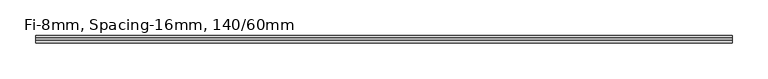
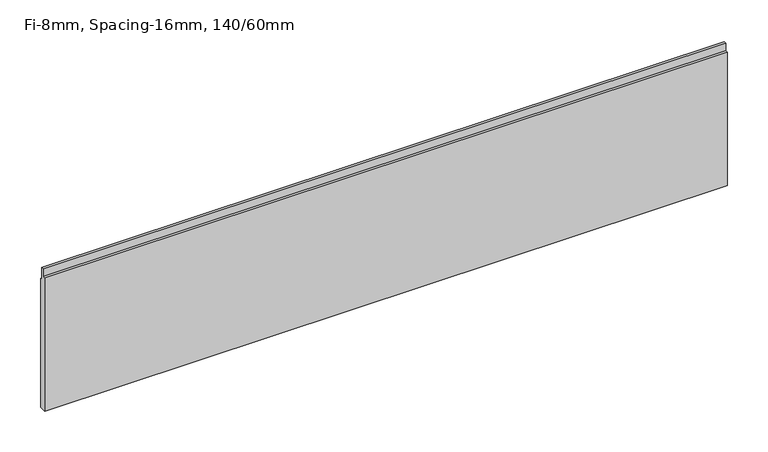
"""IFC4 building model written with IfcOpenShell, lengths in millimetres: plate geometry, Fi-8mm, Spacing-16mm, 140/60mm."""

from ifc_helpers import new_model, si_unit, frame, origin, place, context, project, spatial, polyline, outline, extrude, source, transform, mapped, element, save


def fi_8mm_spacing_16mm_140_60mm_bf919356(model_context):
    return source(origin(), model_context, "Body", "SweptSolid", [
        extrude(outline(polyline([(5.0, 0.0), (-5.0, 0.0), (-5.0, 200.0), (-1.0, 200.0), (-1.0, 211.0), (2.0, 211.0), (2.0, 193.0), (5.0, 193.0), (5.0, 0.0)])), frame((-483.4, 0.0, 0.0), z_axis=(1.0, 0.0, 0.0), x_axis=(0.0, 1.0, 0.0)), (0.0, 0.0, 1.0), 966.8),
    ])


if __name__ == "__main__":
    model = new_model("IFC4")
    model_context = context("Model", 3, world=origin())
    ifc_project = project(units=[si_unit("LENGTHUNIT", "METRE", prefix="MILLI")], contexts=[model_context])
    site = spatial("IfcSite", under=ifc_project)
    building = spatial("IfcBuilding", under=site)
    placement = place(None, origin())
    fi_8mm_spacing_16mm_140_60mm_shape = fi_8mm_spacing_16mm_140_60mm_bf919356(model_context)
    element("IfcPlate", 1, ObjectType="Fi-8mm, Spacing-16mm, 140/60mm", at=placement, inside=building, context=model_context, shape_type="MappedRepresentation", body=[
        mapped(fi_8mm_spacing_16mm_140_60mm_shape, transform((0.0, 0.0, 0.0), x_axis=(1.0, 0.0, 0.0), y_axis=(0.0, 1.0, 0.0), z_axis=(0.0, 0.0, 1.0))),
    ])
    save(model, "model.ifc")
